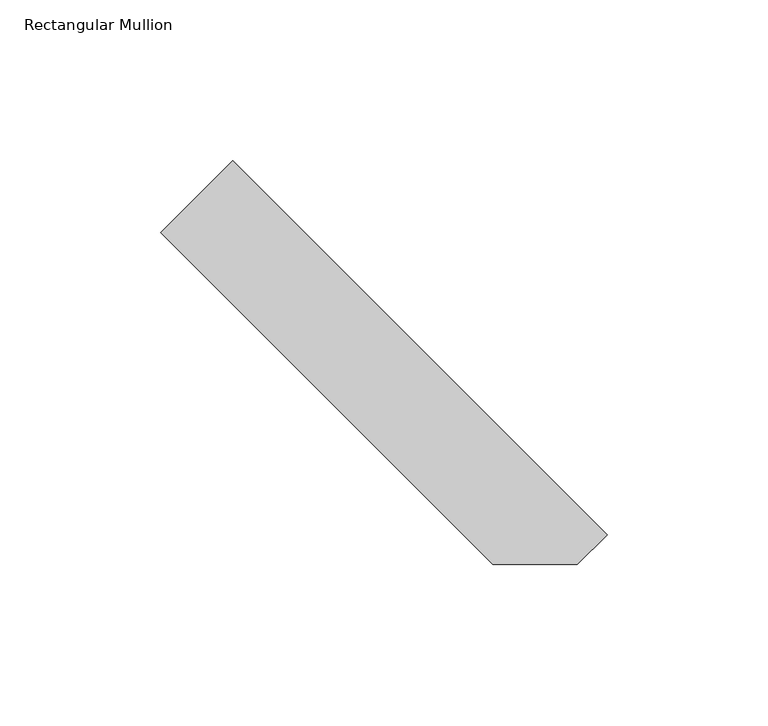
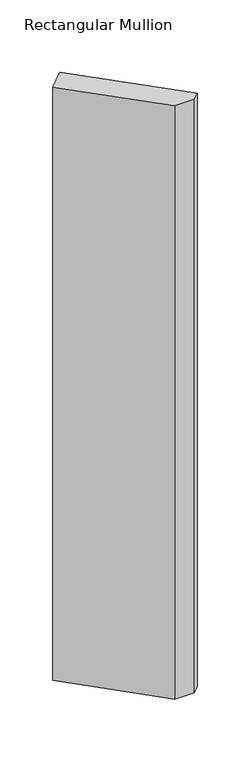
"""IFC4 building model written with IfcOpenShell, lengths in millimetres: member geometry, Rectangular Mullion."""

from ifc_helpers import new_model, si_unit, frame, origin, place, context, project, spatial, polyline, outline, extrude, source, transform, mapped, element, save


def rectangular_mullion_85fc6ad2(model_context):
    return source(origin(), model_context, "Body", "SweptSolid", [
        extrude(outline(polyline([(-41.8472953, 41.8472953), (-51.1508407, 32.54375), (-77.4450306, 32.54375), (-180.7359365, 135.8346559), (-158.2852962, 158.2852962), (-41.8472953, 41.8472953)])), frame((0.0, 0.0, -838.2), z_axis=(0.0, 0.0, 1.0), x_axis=(1.0, 0.0, 0.0)), (0.0, 0.0, 1.0), 838.2),
    ])


if __name__ == "__main__":
    model = new_model("IFC4")
    model_context = context("Model", 3, world=origin())
    ifc_project = project(units=[si_unit("LENGTHUNIT", "METRE", prefix="MILLI")], contexts=[model_context])
    site = spatial("IfcSite", under=ifc_project)
    building = spatial("IfcBuilding", under=site)
    placement = place(None, origin())
    rectangular_mullion_shape = rectangular_mullion_85fc6ad2(model_context)
    element("IfcMember", 1, ObjectType="Rectangular Mullion", at=placement, inside=building, context=model_context, shape_type="MappedRepresentation", body=[
        mapped(rectangular_mullion_shape, transform((0.0, 0.0, 0.0), x_axis=(1.0, 0.0, 0.0), y_axis=(0.0, 1.0, 0.0), z_axis=(0.0, 0.0, 1.0))),
    ])
    save(model, "model.ifc")
